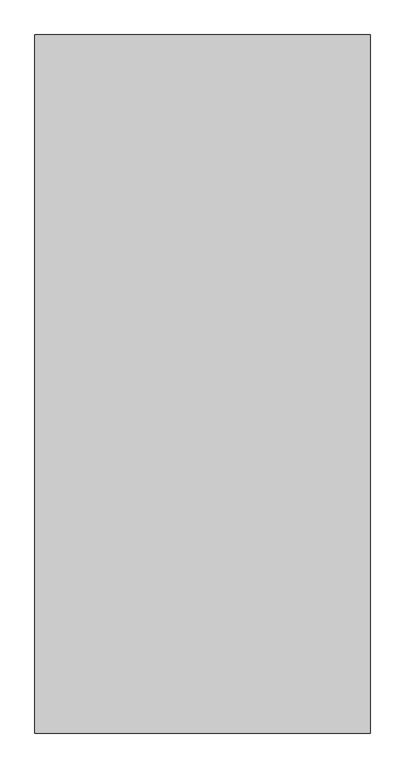
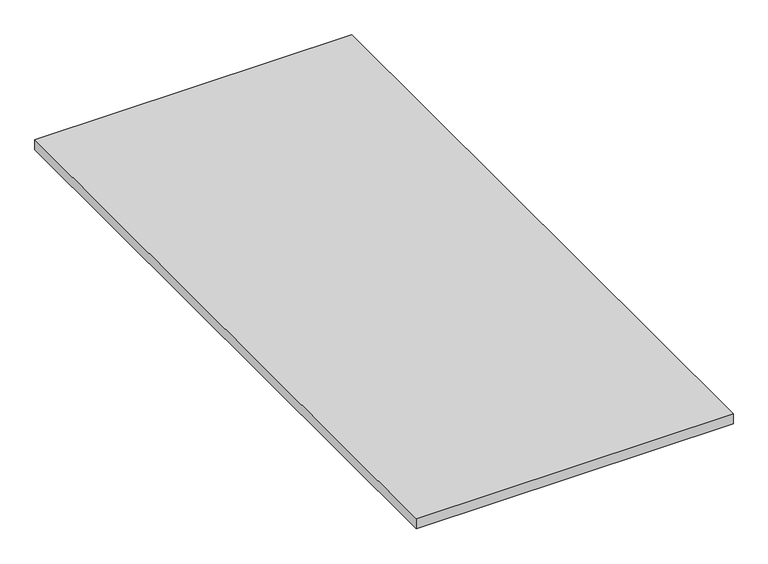
"""IFC4 building model written with IfcOpenShell, lengths in millimetres: proxy geometry."""

from ifc_helpers import new_model, si_unit, origin, origin_with_axes, place, context, project, spatial, polyline, outline, extrude, source, transform, mapped, element, save


def generic_models_f4997b29(model_context):
    return source(origin(), model_context, "Body", "SweptSolid", [
        extrude(outline(polyline([(-6184.8983566, -10252.8374841), (-6184.8983566, -11502.8374841), (-6784.8983566, -11502.8374841), (-6784.8983566, -10252.8374841), (-6184.8983566, -10252.8374841)])), origin_with_axes(), (0.0, 0.0, 1.0), 20.0),
    ])


if __name__ == "__main__":
    model = new_model("IFC4")
    model_context = context("Model", 3, world=origin())
    ifc_project = project(units=[si_unit("LENGTHUNIT", "METRE", prefix="MILLI")], contexts=[model_context])
    site = spatial("IfcSite", under=ifc_project)
    building = spatial("IfcBuilding", under=site)
    placement = place(None, origin())
    generic_models_shape = generic_models_f4997b29(model_context)
    element("IfcBuildingElementProxy", 1, Name="Generic Models", at=placement, inside=building, context=model_context, shape_type="MappedRepresentation", body=[
        mapped(generic_models_shape, transform((0.0, 0.0, 0.0), x_axis=(1.0, 0.0, 0.0), y_axis=(0.0, 1.0, 0.0), z_axis=(0.0, 0.0, 1.0))),
    ])
    save(model, "model.ifc")
